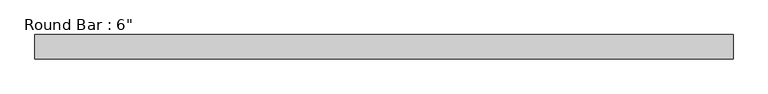
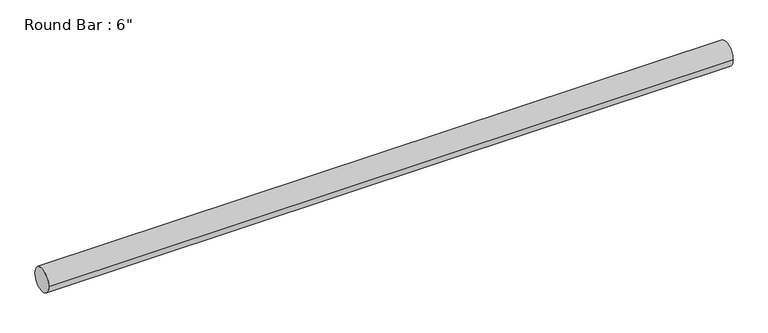
"""IFC4 building model written with IfcOpenShell, lengths in millimetres: beam geometry."""

from ifc_helpers import new_model, si_unit, point, frame, origin, origin_2d, place, context, project, spatial, circle_curve, trimmed, segment, composite_curve, outline, extrude, source, transform, mapped, element, save


def beam_1d8a6470(model_context):
    return source(origin(), model_context, "Body", "SweptSolid", [
        extrude(outline(composite_curve([segment(trimmed(circle_curve(origin_2d(), 76.2), [point((76.2, 0.0))], [point((-76.2, 0.0))], False, "CARTESIAN"), True, "CONTINUOUS"), segment(trimmed(circle_curve(origin_2d(), 76.2), [point((-76.2, 0.0))], [point((76.2, 0.0))], False, "CARTESIAN"), True, "CONTINUOUS")], self_intersect=False)), frame((-2283.9194712, 0.0, 0.0), z_axis=(1.0, 0.0, 0.0), x_axis=(0.0, 1.0, 0.0)), (0.0, 0.0, 1.0), 4364.6389425),
    ])


if __name__ == "__main__":
    model = new_model("IFC4")
    model_context = context("Model", 3, world=origin())
    ifc_project = project(units=[si_unit("LENGTHUNIT", "METRE", prefix="MILLI")], contexts=[model_context])
    site = spatial("IfcSite", under=ifc_project)
    building = spatial("IfcBuilding", under=site)
    placement = place(None, origin())
    beam_shape = beam_1d8a6470(model_context)
    element("IfcBeam", 1, ObjectType="Round Bar : 6\"", at=placement, inside=building, context=model_context, shape_type="MappedRepresentation", body=[
        mapped(beam_shape, transform((0.0, 0.0, 0.0), x_axis=(1.0, 0.0, 0.0), y_axis=(0.0, 1.0, 0.0), z_axis=(0.0, 0.0, 1.0))),
    ])
    save(model, "model.ifc")
